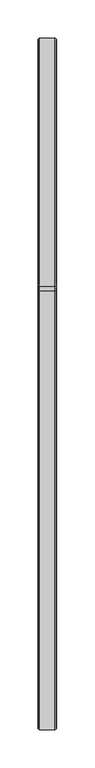
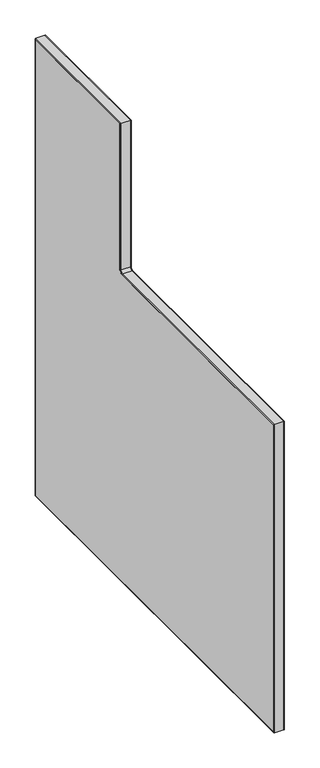
"""IFC4 building model written with IfcOpenShell, lengths in millimetres: furniture geometry."""

import ifcopenshell
import ifcopenshell.guid

model = None  # the IFC model being written
_history = None  # IfcOwnerHistory: only IFC2X3 demands one
_inside = {}  # id of a spatial element -> (the spatial element, [elements in it])
_under = {}  # id of a project, library or spatial element -> (it, [spatial elements below it])
_declared = {}  # id of a project -> (the project, [libraries it declares])
_typed = {}  # id of a type object -> (the type object, [elements of that type])
_made_of = {}  # id of a material, layer set ... -> (it, [elements and type objects made of it])


def new_model(schema):
    """Start an empty IFC model of exactly this schema.

    Asked for "IFC4X3", IfcOpenShell would pick the latest addendum, in which some entities
    have other attributes; the version numbers below select the first issue.
    IFC2X3 requires an IfcOwnerHistory on every rooted entity: one is made here for all.
    """
    global model, _history
    if schema == "IFC4X3":
        model = ifcopenshell.file(schema_version=(4, 3, 0, 0))
    else:
        model = ifcopenshell.file(schema=schema)
    _inside.clear()
    _under.clear()
    _declared.clear()
    _typed.clear()
    _made_of.clear()
    _history = None
    if model.schema == "IFC2X3":
        org = make("IfcOrganization", Name="unknown")
        user = make(
            "IfcPersonAndOrganization",
            ThePerson=make("IfcPerson", FamilyName="unknown"),
            TheOrganization=org,
        )
        app = make(
            "IfcApplication",
            ApplicationDeveloper=org,
            Version="unknown",
            ApplicationFullName="unknown",
            ApplicationIdentifier="unknown",
        )
        _history = make(
            "IfcOwnerHistory",
            OwningUser=user,
            OwningApplication=app,
            ChangeAction="ADDED",
            CreationDate=0,
        )
    return model


def make(cls, **values):
    """One entity of the class cls with the attributes given. An attribute that is None is left unset."""
    return model.create_entity(
        cls, **{name: value for name, value in values.items() if value is not None}
    )


def rooted(cls, **values):
    """An entity with a GlobalId (a new one), such as an element, a storey or a relation."""
    return make(cls, GlobalId=ifcopenshell.guid.new(), OwnerHistory=_history, **values)


def si_unit(unit_type, name, prefix=None):
    """IfcSIUnit, for example si_unit("LENGTHUNIT", "METRE", prefix="MILLI")."""
    return make("IfcSIUnit", UnitType=unit_type, Prefix=prefix, Name=name)


def assignment(units):
    """IfcUnitAssignment: the units of a project."""
    return None if units is None else make("IfcUnitAssignment", Units=units)


def point(xyz):
    """IfcCartesianPoint."""
    return None if xyz is None else make("IfcCartesianPoint", Coordinates=xyz)


def direction(xyz):
    """IfcDirection."""
    return None if xyz is None else make("IfcDirection", DirectionRatios=xyz)


def frame(location, z_axis=None, x_axis=None):
    """IfcAxis2Placement3D, a coordinate frame: its origin and axes. An axis left out is left unset."""
    return make(
        "IfcAxis2Placement3D",
        Location=point(location),
        Axis=direction(z_axis),
        RefDirection=direction(x_axis),
    )


def frame_2d(location, x_axis=None):
    """IfcAxis2Placement2D, a coordinate frame in the plane: its origin and x axis."""
    return make(
        "IfcAxis2Placement2D", Location=point(location), RefDirection=direction(x_axis)
    )


def origin():
    """The frame at (0, 0, 0) with its axes left unset."""
    return frame((0.0, 0.0, 0.0))


def place(relative_to, where):
    """IfcLocalPlacement: puts the frame where relative to a parent placement (None: the world)."""
    return make(
        "IfcLocalPlacement", PlacementRelTo=relative_to, RelativePlacement=where
    )


def context(
    kind, dimensions, precision=None, world=None, true_north=None, identifier=None
):
    """IfcGeometricRepresentationContext, for example the 3D "Model" context."""
    return make(
        "IfcGeometricRepresentationContext",
        ContextIdentifier=identifier,
        ContextType=kind,
        CoordinateSpaceDimension=dimensions,
        Precision=precision,
        WorldCoordinateSystem=world,
        TrueNorth=true_north,
    )


def project(units=None, contexts=None):
    """IfcProject with its units and contexts."""
    return rooted(
        "IfcProject",
        Name="project",
        RepresentationContexts=contexts,
        UnitsInContext=assignment(units),
    )


def spatial(cls, under=None, at=None, **own):
    """A site, building, storey or space (cls), placed at a placement, below another one or the project."""
    s = rooted(cls, ObjectPlacement=at, **own)
    if under is not None:
        _under.setdefault(under.id(), (under, []))[1].append(s)
    return s


def polyline(points):
    """IfcPolyline through the points."""
    return make("IfcPolyline", Points=[point(p) for p in points])


def circle_curve(where, radius):
    """IfcCircle in the frame where."""
    return make("IfcCircle", Position=where, Radius=radius)


def ellipse_curve(where, semi_axis1, semi_axis2):
    """IfcEllipse in the frame where."""
    return make(
        "IfcEllipse", Position=where, SemiAxis1=semi_axis1, SemiAxis2=semi_axis2
    )


def trimmed(basis, trim1, trim2, sense, master):
    """IfcTrimmedCurve: the piece of a basis curve between two trims."""
    return make(
        "IfcTrimmedCurve",
        BasisCurve=basis,
        Trim1=trim1,
        Trim2=trim2,
        SenseAgreement=sense,
        MasterRepresentation=master,
    )


def segment(curve, same_sense, transition):
    """IfcCompositeCurveSegment."""
    return make(
        "IfcCompositeCurveSegment",
        Transition=transition,
        SameSense=same_sense,
        ParentCurve=curve,
    )


def composite_curve(segments, self_intersect=None):
    """IfcCompositeCurve: segments joined end to end."""
    return make("IfcCompositeCurve", Segments=segments, SelfIntersect=self_intersect)


def outline(outer, holes=None, kind="AREA"):
    """IfcArbitraryClosedProfileDef: a profile drawn as a closed curve; with holes, ...WithVoids."""
    if holes is None:
        return make("IfcArbitraryClosedProfileDef", ProfileType=kind, OuterCurve=outer)
    return make(
        "IfcArbitraryProfileDefWithVoids",
        ProfileType=kind,
        OuterCurve=outer,
        InnerCurves=holes,
    )


def extrude(swept, where, along, depth):
    """IfcExtrudedAreaSolid: the profile swept, set in the frame where, extruded along a direction by depth."""
    return make(
        "IfcExtrudedAreaSolid",
        SweptArea=swept,
        Position=where,
        ExtrudedDirection=direction(along),
        Depth=depth,
    )


def shape(context_of_items, identifier, shape_type, items):
    """IfcShapeRepresentation: the items that make up one representation, for example the "Body"."""
    return make(
        "IfcShapeRepresentation",
        ContextOfItems=context_of_items,
        RepresentationIdentifier=identifier,
        RepresentationType=shape_type,
        Items=items,
    )


def source(mapping_origin, context_of_items, identifier, shape_type, items):
    """IfcRepresentationMap: a shape defined once, which mapped items show again and again."""
    return make(
        "IfcRepresentationMap",
        MappingOrigin=mapping_origin,
        MappedRepresentation=shape(context_of_items, identifier, shape_type, items),
    )


def transform(
    local_origin,
    x_axis=None,
    y_axis=None,
    z_axis=None,
    scale=None,
    scale2=None,
    scale3=None,
    uniform=True,
):
    """IfcCartesianTransformationOperator3D, or its non-uniform kind. x_axis, y_axis, z_axis: its Axis1, 2, 3."""
    if uniform:
        return make(
            "IfcCartesianTransformationOperator3D",
            Axis1=direction(x_axis),
            Axis2=direction(y_axis),
            LocalOrigin=point(local_origin),
            Scale=scale,
            Axis3=direction(z_axis),
        )
    return make(
        "IfcCartesianTransformationOperator3DnonUniform",
        Axis1=direction(x_axis),
        Axis2=direction(y_axis),
        LocalOrigin=point(local_origin),
        Scale=scale,
        Axis3=direction(z_axis),
        Scale2=scale2,
        Scale3=scale3,
    )


def mapped(mapping_source, mapping_target):
    """IfcMappedItem: shows the shape of a source again, moved by a transform."""
    return make(
        "IfcMappedItem", MappingSource=mapping_source, MappingTarget=mapping_target
    )


def made_of(thing, what):
    """Note that an element or type object is made of a material, layer set ...; save() writes the relation."""
    if what is not None:
        _made_of.setdefault(what.id(), (what, []))[1].append(thing)
    return thing


def element(
    cls,
    number,
    at=None,
    inside=None,
    cuts=None,
    type_object=None,
    material=None,
    context=None,
    identifier="Body",
    shape_type=None,
    held_by="IfcProductDefinitionShape",
    body=None,
    shapes=None,
    **own,
):
    """One element of the class cls, such as IfcWall. Its Tag is "e" and its number.

    at: its placement. inside: the storey or other place that contains it. cuts: it is an
    opening in that element (IfcRelVoidsElement). A single representation is given by context,
    identifier, shape_type and body (its items); several are given by shapes. held_by: the class
    of the entity that holds the representations. save() writes the other relations.
    """
    e = rooted(cls, Tag="e%d" % number, ObjectPlacement=at, **own)
    if body is not None:
        shapes = [shape(context, identifier, shape_type, body)]
    if shapes is not None:
        e.Representation = make(held_by, Representations=shapes)
    if inside is not None:
        _inside.setdefault(inside.id(), (inside, []))[1].append(e)
    if cuts is not None:
        rooted(
            "IfcRelVoidsElement", RelatingBuildingElement=cuts, RelatedOpeningElement=e
        )
    if type_object is not None:
        _typed.setdefault(type_object.id(), (type_object, []))[1].append(e)
    return made_of(e, material)


def aggregate(whole, parts):
    """IfcRelAggregates: a whole, such as a stair, and the parts it consists of."""
    return rooted("IfcRelAggregates", RelatingObject=whole, RelatedObjects=parts)


def save(model, path):
    """Write the relations noted so far, then the file.

    IfcRelAggregates (storeys below a building ...), IfcRelContainedInSpatialStructure (elements
    in a storey), IfcRelDefinesByType, IfcRelAssociatesMaterial and IfcRelDeclares: one each for
    every whole, place, type object, material and project.
    """
    for whole, parts in _under.values():
        aggregate(whole, parts)
    for where, things in _inside.values():
        rooted(
            "IfcRelContainedInSpatialStructure",
            RelatedElements=things,
            RelatingStructure=where,
        )
    for kind, things in _typed.values():
        rooted("IfcRelDefinesByType", RelatedObjects=things, RelatingType=kind)
    for what, things in _made_of.values():
        rooted("IfcRelAssociatesMaterial", RelatedObjects=things, RelatingMaterial=what)
    for by, libraries in _declared.values():
        rooted("IfcRelDeclares", RelatingContext=by, RelatedDefinitions=libraries)
    model.write(path)


def plane_surface(at):
    """IfcPlane: the flat surface through the origin of the frame at, square to its z axis."""
    return make("IfcPlane", Position=at)


def cylinder_surface(at, radius):
    """IfcCylindricalSurface: all points at the distance radius from the z axis of the frame at."""
    return make("IfcCylindricalSurface", Position=at, Radius=radius)


def revolved_surface(curve, axis_point, axis_direction):
    """IfcSurfaceOfRevolution: the curve turned about the line through axis_point along axis_direction."""
    return make(
        "IfcSurfaceOfRevolution",
        SweptCurve=make("IfcArbitraryOpenProfileDef", ProfileType="CURVE", Curve=curve),
        AxisPosition=make("IfcAxis1Placement", Location=point(axis_point), Axis=direction(axis_direction)),
    )


def advanced_brep(points, edges, surfaces, faces):
    """IfcAdvancedBrep: a solid bounded by faces that lie on surfaces and meet in shared edges.

    An edge is (start, end): straight between two places in points (the first is 0);
    or (start, end, curve); or (start, end, curve, False) where it runs against its curve.
    A face is (place in surfaces, loops), or (place, loops, False) where it looks against
    its surface's normal. A loop lists edges by number (the first is 1), with a minus sign
    where the edge is run from its end to its start. The first loop is the outer one.
    """
    corners = [point(p) for p in points]
    vertices = [make("IfcVertexPoint", VertexGeometry=c) for c in corners]
    made = []
    for start, end, *more in edges:
        made.append(
            make(
                "IfcEdgeCurve",
                EdgeStart=vertices[start],
                EdgeEnd=vertices[end],
                EdgeGeometry=more[0] if more else make("IfcPolyline", Points=[corners[start], corners[end]]),
                SameSense=more[1] if len(more) > 1 else True,
            )
        )
    hull = []
    for where, loops, *sense in faces:
        bounds = []
        for j, loop in enumerate(loops):
            ring = [make("IfcOrientedEdge", EdgeElement=made[abs(k) - 1], Orientation=k > 0) for k in loop]
            bounds.append(
                make(
                    "IfcFaceOuterBound" if j == 0 else "IfcFaceBound",
                    Bound=make("IfcEdgeLoop", EdgeList=ring),
                    Orientation=True,
                )
            )
        hull.append(make("IfcAdvancedFace", Bounds=bounds, FaceSurface=surfaces[where], SameSense=sense[0] if sense else True))
    return make("IfcAdvancedBrep", Outer=make("IfcClosedShell", CfsFaces=hull))


def furniture_36f28e0b(model_context):
    return source(origin(), model_context, "Body", "SolidModel", [
        extrude(outline(composite_curve([segment(polyline([(72.009, 2.0066), (-825.8302, 2.0066), (-825.8302, 709.1922857), (-255.2785266, 709.1922857)]), True, "CONTINUOUS"), segment(trimmed(circle_curve(frame_2d((-255.2785266, 717.2890923)), 8.0968066), [point((-255.2785266, 709.1922857))], [point((-247.1817201, 717.2890923))], True, "CARTESIAN"), True, "CONTINUOUS"), segment(polyline([(-247.1817201, 717.2890923), (-247.1817201, 1052.8002731), (72.009, 1052.8002731), (72.009, 2.0066)]), True, "CONTINUOUS")], self_intersect=False)), frame((0.0574, 0.0, 0.0), z_axis=(1.0, 0.0, 0.0), x_axis=(0.0, 1.0, 0.0)), (0.0, 0.0, 1.0), 23.9999997),
        advanced_brep(
        [(24.0573997, -825.8302, 2.0066), (24.0573997, 72.009, 2.0066), (0.0573768, 72.009, 2.0066), (0.0573768, -825.8302, 2.0066), (22.0573764, -827.8302233, 0.0065767), (22.0573764, 74.0090233, 0.0065767), (2.0574, -827.8302233, 0.0065767), (2.0574, 74.0090233, 0.0065767), (24.0573997, 72.009, 1052.8002731), (0.0573768, 72.009, 1052.8002731), (22.0573764, 74.0090233, 1054.8002964), (2.0574, 74.0090233, 1054.8002964), (24.0573997, -247.1817201, 1052.8002731), (0.0573768, -247.1817201, 1052.8002731), (22.0573764, -249.1817433, 1054.8002964), (2.0574, -249.1817433, 1054.8002964), (24.0573997, -247.1817201, 717.2890923), (0.0573768, -247.1817201, 717.2890923), (22.0573764, -249.1817433, 717.2890923), (2.0574, -249.1817433, 717.2890923), (24.0573997, -255.2785266, 709.1922857), (0.0573768, -255.2785266, 709.1922857), (22.0573764, -255.2785266, 711.192309), (2.0574, -255.2785266, 711.192309), (24.0573997, -825.8302, 709.1922857), (0.0573768, -825.8302, 709.1922857), (22.0573764, -827.8302233, 711.192309), (2.0574, -827.8302233, 711.192309)],
        [
            (0, 1),
            (1, 2),
            (2, 3),
            (3, 0),
            (4, 5),
            (5, 1, ellipse_curve(frame((22.0573764, 72.009, 2.0066), z_axis=(0.0, -0.7071067811865475, -0.7071067811865475), x_axis=(0.0, -0.7071067811865476, 0.7071067811865474)), 2.82846, 2.0000233)),
            (0, 4, ellipse_curve(frame((22.0573764, -825.8302, 2.0066), z_axis=(0.0, 0.7071067811865475, -0.7071067811865475), x_axis=(0.0, -0.7071067811865476, -0.7071067811865474)), 2.82846, 2.0000233)),
            (6, 7),
            (7, 5),
            (4, 6),
            (2, 7, ellipse_curve(frame((2.0574, 72.009, 2.0066), z_axis=(0.0, -0.7071067811865475, -0.7071067811865475), x_axis=(0.0, -0.7071067811865476, 0.7071067811865474)), 2.82846, 2.0000233)),
            (6, 3, ellipse_curve(frame((2.0574, -825.8302, 2.0066), z_axis=(0.0, 0.7071067811865475, -0.7071067811865475), x_axis=(0.0, -0.7071067811865476, -0.7071067811865474)), 2.82846, 2.0000233)),
            (1, 8),
            (8, 9),
            (9, 2),
            (5, 10),
            (10, 8, ellipse_curve(frame((22.0573764, 72.009, 1052.8002731), z_axis=(0.0, 0.7071067811865475, -0.7071067811865475), x_axis=(0.0, -0.7071067811865474, -0.7071067811865476)), 2.82846, 2.0000233)),
            (7, 11),
            (11, 10),
            (9, 11, ellipse_curve(frame((2.0574, 72.009, 1052.8002731), z_axis=(0.0, 0.7071067811865475, -0.7071067811865475), x_axis=(0.0, -0.7071067811865474, -0.7071067811865476)), 2.82846, 2.0000233)),
            (8, 12),
            (12, 13),
            (13, 9),
            (10, 14),
            (14, 12, ellipse_curve(frame((22.0573764, -247.1817201, 1052.8002731), z_axis=(0.0, 0.70710678118653, 0.707106781186565), x_axis=(0.0, 0.707106781186565, -0.70710678118653)), 2.82846, 2.0000233)),
            (11, 15),
            (15, 14),
            (13, 15, ellipse_curve(frame((2.0574, -247.1817201, 1052.8002731), z_axis=(0.0, 0.70710678118653, 0.707106781186565), x_axis=(0.0, 0.707106781186565, -0.70710678118653)), 2.82846, 2.0000233)),
            (12, 16),
            (16, 17),
            (17, 13),
            (14, 18),
            (18, 16, circle_curve(frame((22.0573764, -247.1817201, 717.2890923), z_axis=(0.0, 0.0, 1.0), x_axis=(-1.0, 0.0, 0.0)), 2.0000233)),
            (15, 19),
            (19, 18),
            (17, 19, circle_curve(frame((2.0574, -247.1817201, 717.2890923), z_axis=(0.0, 0.0, 1.0), x_axis=(-1.0, 0.0, 0.0)), 2.0000233)),
            (20, 21),
            (21, 17, circle_curve(frame((0.0573768, -255.2785266, 717.2890923), z_axis=(1.0, 0.0, 0.0), x_axis=(0.0, 1.0, 0.0)), 8.0968066)),
            (16, 20, circle_curve(frame((24.0573997, -255.2785266, 717.2890923), z_axis=(-1.0, 0.0, 0.0), x_axis=(0.0, 1.0, 0.0)), 8.0968066)),
            (22, 20, circle_curve(frame((22.0573764, -255.2785266, 709.1922857), z_axis=(0.0, 1.0, 0.0), x_axis=(-1.0, 0.0, 0.0)), 2.0000233)),
            (18, 22, circle_curve(frame((22.0573764, -255.2785266, 717.2890923), z_axis=(-1.0, 0.0, 0.0), x_axis=(0.0, 1.0, 0.0)), 6.0967833)),
            (23, 22),
            (19, 23, circle_curve(frame((2.0574, -255.2785266, 717.2890923), z_axis=(-1.0, 0.0, 0.0), x_axis=(0.0, 1.0, 0.0)), 6.0967833)),
            (21, 23, circle_curve(frame((2.0574, -255.2785266, 709.1922857), z_axis=(0.0, 1.0, 0.0), x_axis=(-1.0, 0.0, 0.0)), 2.0000233)),
            (20, 24),
            (24, 25),
            (25, 21),
            (22, 26),
            (26, 24, ellipse_curve(frame((22.0573764, -825.8302, 709.1922857), z_axis=(0.0, 0.7071067811865475, 0.7071067811865475), x_axis=(0.0, 0.7071067811865476, -0.7071067811865474)), 2.82846, 2.0000233)),
            (23, 27),
            (27, 26),
            (25, 27, ellipse_curve(frame((2.0574, -825.8302, 709.1922857), z_axis=(0.0, 0.7071067811865475, 0.7071067811865475), x_axis=(0.0, 0.7071067811865476, -0.7071067811865474)), 2.82846, 2.0000233)),
            (24, 0),
            (3, 25),
            (26, 4),
            (27, 6),
        ],
        [
            plane_surface(frame((0.0573768, -825.8302, 2.0066), z_axis=(0.0, 0.0, 1.0), x_axis=(0.0, 1.0, 0.0))),
            cylinder_surface(frame((22.0573764, -825.8302, 2.0066), z_axis=(0.0, -1.0, 0.0), x_axis=(-1.0, 0.0, 0.0)), 2.0000233),
            plane_surface(frame((22.0573764, -827.8302233, 0.0065767), z_axis=(0.0, 0.0, -1.0), x_axis=(0.0, 1.0, 0.0))),
            cylinder_surface(frame((2.0574, -825.8302, 2.0066), z_axis=(0.0, -1.0, 0.0), x_axis=(-1.0, 0.0, 0.0)), 2.0000233),
            plane_surface(frame((0.0573768, 72.009, 2.0066), z_axis=(0.0, -1.0, 0.0), x_axis=(0.0, 0.0, 1.0))),
            cylinder_surface(frame((22.0573764, 72.009, 2.0066), z_axis=(0.0, 0.0, -1.0), x_axis=(-1.0, 0.0, 0.0)), 2.0000233),
            plane_surface(frame((22.0573764, 74.0090233, 0.0065767), z_axis=(0.0, 1.0, 0.0), x_axis=(0.0, 0.0, 1.0))),
            cylinder_surface(frame((2.0574, 72.009, 2.0066), z_axis=(0.0, 0.0, -1.0), x_axis=(-1.0, 0.0, 0.0)), 2.0000233),
            plane_surface(frame((0.0573768, 72.009, 1052.8002731), z_axis=(0.0, 0.0, -1.0), x_axis=(0.0, -1.0, 0.0))),
            cylinder_surface(frame((22.0573764, 72.009, 1052.8002731), z_axis=(0.0, 1.0, 0.0), x_axis=(-1.0, 0.0, 0.0)), 2.0000233),
            plane_surface(frame((22.0573764, 74.0090233, 1054.8002964), z_axis=(0.0, 0.0, 1.0), x_axis=(0.0, -1.0, 0.0))),
            cylinder_surface(frame((2.0574, 72.009, 1052.8002731), z_axis=(0.0, 1.0, 0.0), x_axis=(-1.0, 0.0, 0.0)), 2.0000233),
            plane_surface(frame((0.0573768, -247.1817201, 1052.8002731), z_axis=(0.0, 1.0, 0.0), x_axis=(0.0, 0.0, -1.0))),
            cylinder_surface(frame((22.0573764, -247.1817201, 1052.8002731), z_axis=(0.0, 0.0, 1.0), x_axis=(-1.0, 0.0, 0.0)), 2.0000233),
            plane_surface(frame((22.0573764, -249.1817433, 1054.8002964), z_axis=(0.0, -1.0, 0.0), x_axis=(0.0, 0.0, -1.0))),
            cylinder_surface(frame((2.0574, -247.1817201, 1052.8002731), z_axis=(0.0, 0.0, 1.0), x_axis=(-1.0, 0.0, 0.0)), 2.0000233),
            cylinder_surface(frame((0.0254, -255.2785266, 717.2890923), z_axis=(1.0, 0.0, 0.0), x_axis=(0.0, 1.0, 0.0)), 8.0968066),
            revolved_surface(trimmed(ellipse_curve(frame((22.0573764, -247.1817201, 717.2890923), z_axis=(0.0, 0.0, -1.0), x_axis=(-1.0, 0.0, 0.0)), 2.0000233, 2.0000233), [point((24.0573997, -247.1817201, 717.2890923))], [point((22.0573764, -249.1817433, 717.2890923))], True, "CARTESIAN"), (0.0254, -255.2785266, 717.2890923), (1.0, 0.0, 0.0)),
            revolved_surface(polyline([(22.0573764, -249.1817433, 717.2890923), (2.0574, -249.1817433, 717.2890923)]), (0.0254, -255.2785266, 717.2890923), (1.0, 0.0, 0.0)),
            revolved_surface(trimmed(ellipse_curve(frame((2.0574, -247.1817201, 717.2890923), z_axis=(0.0, 0.0, -1.0), x_axis=(-1.0, 0.0, 0.0)), 2.0000233, 2.0000233), [point((2.0574, -249.1817433, 717.2890923))], [point((0.0573768, -247.1817201, 717.2890923))], True, "CARTESIAN"), (0.0254, -255.2785266, 717.2890923), (1.0, 0.0, 0.0)),
            plane_surface(frame((0.0573768, -255.2785266, 709.1922857), z_axis=(0.0, 0.0, -1.0), x_axis=(0.0, -1.0, 0.0))),
            cylinder_surface(frame((22.0573764, -255.2785266, 709.1922857), z_axis=(0.0, 1.0, 0.0), x_axis=(-1.0, 0.0, 0.0)), 2.0000233),
            plane_surface(frame((22.0573764, -255.2785266, 711.192309), z_axis=(0.0, 0.0, 1.0), x_axis=(0.0, -1.0, 0.0))),
            cylinder_surface(frame((2.0574, -255.2785266, 709.1922857), z_axis=(0.0, 1.0, 0.0), x_axis=(-1.0, 0.0, 0.0)), 2.0000233),
            plane_surface(frame((0.0573768, -825.8302, 709.1922857), z_axis=(0.0, 1.0, 0.0), x_axis=(0.0, 0.0, -1.0))),
            cylinder_surface(frame((22.0573764, -825.8302, 709.1922857), z_axis=(0.0, 0.0, 1.0), x_axis=(-1.0, 0.0, 0.0)), 2.0000233),
            plane_surface(frame((22.0573764, -827.8302233, 711.192309), z_axis=(0.0, -1.0, 0.0), x_axis=(0.0, 0.0, -1.0))),
            cylinder_surface(frame((2.0574, -825.8302, 709.1922857), z_axis=(0.0, 0.0, 1.0), x_axis=(-1.0, 0.0, 0.0)), 2.0000233),
        ],
        [
            (0, [[1, 2, 3, 4]]),
            (1, [[5, 6, -1, 7]]),
            (2, [[8, 9, -5, 10]]),
            (3, [[-3, 11, -8, 12]]),
            (4, [[13, 14, 15, -2]]),
            (5, [[16, 17, -13, -6]]),
            (6, [[18, 19, -16, -9]]),
            (7, [[-15, 20, -18, -11]]),
            (8, [[21, 22, 23, -14]]),
            (9, [[24, 25, -21, -17]]),
            (10, [[26, 27, -24, -19]]),
            (11, [[-23, 28, -26, -20]]),
            (12, [[29, 30, 31, -22]]),
            (13, [[32, 33, -29, -25]]),
            (14, [[34, 35, -32, -27]]),
            (15, [[-31, 36, -34, -28]]),
            (16, [[37, 38, -30, 39]]),
            (17, [[40, -39, -33, 41]]),
            (18, [[42, -41, -35, 43]]),
            (19, [[44, -43, -36, -38]]),
            (20, [[45, 46, 47, -37]]),
            (21, [[48, 49, -45, -40]]),
            (22, [[50, 51, -48, -42]]),
            (23, [[-47, 52, -50, -44]]),
            (24, [[53, -4, 54, -46]]),
            (25, [[55, -7, -53, -49]]),
            (26, [[56, -10, -55, -51]]),
            (27, [[-54, -12, -56, -52]]),
        ],
    ),
    ])


if __name__ == "__main__":
    model = new_model("IFC4")
    model_context = context("Model", 3, world=origin())
    ifc_project = project(units=[si_unit("LENGTHUNIT", "METRE", prefix="MILLI")], contexts=[model_context])
    site = spatial("IfcSite", under=ifc_project)
    building = spatial("IfcBuilding", under=site)
    placement = place(None, origin())
    furniture_shape = furniture_36f28e0b(model_context)
    element("IfcFurniture", 1, at=placement, inside=building, context=model_context, shape_type="MappedRepresentation", body=[
        mapped(furniture_shape, transform((0.0, 0.0, 0.0), x_axis=(1.0, 0.0, 0.0), y_axis=(0.0, 1.0, 0.0), z_axis=(0.0, 0.0, 1.0))),
    ])
    save(model, "model.ifc")
